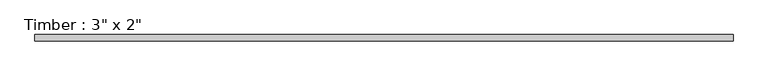
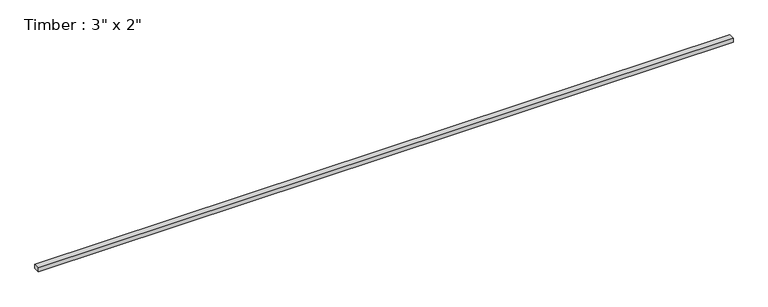
"""IFC4 building model written with IfcOpenShell, lengths in millimetres: beam geometry."""

from ifc_helpers import new_model, si_unit, frame, origin, place, context, project, spatial, polyline, outline, extrude, source, transform, mapped, element, save


def beam_0e24d31e(model_context):
    return source(origin(), model_context, "Body", "SweptSolid", [
        extrude(outline(polyline([(4269.9382526, -38.1), (-4269.9382526, -38.1), (-4269.9382526, 38.1), (4269.9382526, 38.1), (4269.9382526, -38.1)])), frame((0.0, 0.0, -25.4), z_axis=(0.0, 0.0, 1.0), x_axis=(1.0, 0.0, 0.0)), (0.0, 0.0, 1.0), 50.8),
    ])


if __name__ == "__main__":
    model = new_model("IFC4")
    model_context = context("Model", 3, world=origin())
    ifc_project = project(units=[si_unit("LENGTHUNIT", "METRE", prefix="MILLI")], contexts=[model_context])
    site = spatial("IfcSite", under=ifc_project)
    building = spatial("IfcBuilding", under=site)
    placement = place(None, origin())
    beam_shape = beam_0e24d31e(model_context)
    element("IfcBeam", 1, ObjectType="Timber : 3\" x 2\"", at=placement, inside=building, context=model_context, shape_type="MappedRepresentation", body=[
        mapped(beam_shape, transform((0.0, 0.0, 0.0), x_axis=(1.0, 0.0, 0.0), y_axis=(0.0, 1.0, 0.0), z_axis=(0.0, 0.0, 1.0))),
    ])
    save(model, "model.ifc")
